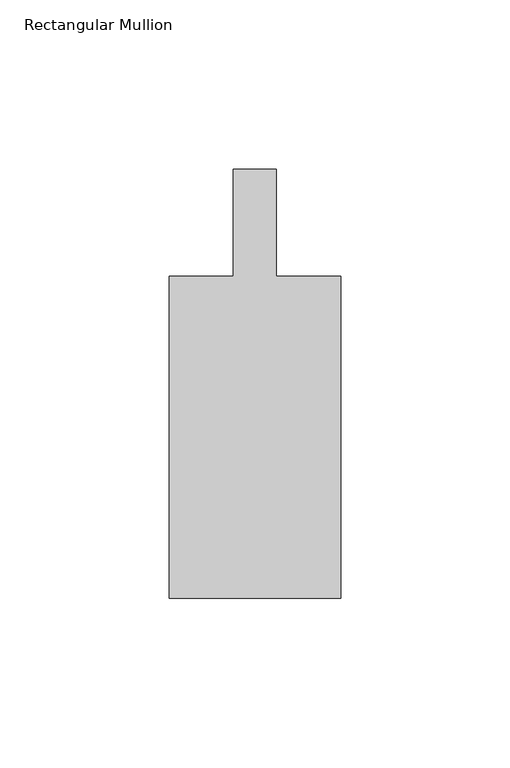
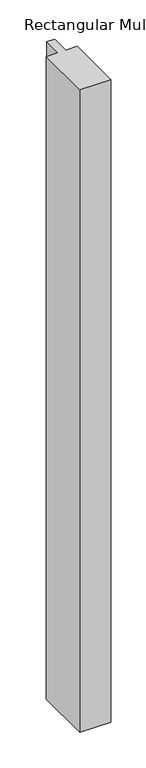
"""IFC4 building model written with IfcOpenShell, lengths in millimetres: member geometry, Rectangular Mullion."""

from ifc_helpers import new_model, si_unit, frame, origin, place, context, project, spatial, polyline, outline, extrude, source, transform, mapped, element, save


def rectangular_mullion_88579714(model_context):
    return source(origin(), model_context, "Body", "SweptSolid", [
        extrude(outline(polyline([(25.400584, -152.3998856), (-25.399416, -152.3998856), (-25.399416, -57.1498856), (-6.349416, -57.1498856), (-6.349416, -25.3998089), (6.350584, -25.3998089), (6.350584, -57.1500024), (25.400584, -57.1500024), (25.400584, -152.3998856)])), frame((0.0, 0.0, -1115.6893215), z_axis=(0.0, 0.0, 1.0), x_axis=(1.0, 0.0, 0.0)), (0.0, 0.0, 1.0), 1115.6893215),
    ])


if __name__ == "__main__":
    model = new_model("IFC4")
    model_context = context("Model", 3, world=origin())
    ifc_project = project(units=[si_unit("LENGTHUNIT", "METRE", prefix="MILLI")], contexts=[model_context])
    site = spatial("IfcSite", under=ifc_project)
    building = spatial("IfcBuilding", under=site)
    placement = place(None, origin())
    rectangular_mullion_shape = rectangular_mullion_88579714(model_context)
    element("IfcMember", 1, ObjectType="Rectangular Mullion", at=placement, inside=building, context=model_context, shape_type="MappedRepresentation", body=[
        mapped(rectangular_mullion_shape, transform((0.0, 0.0, 0.0), x_axis=(1.0, 0.0, 0.0), y_axis=(0.0, 1.0, 0.0), z_axis=(0.0, 0.0, 1.0))),
    ])
    save(model, "model.ifc")
